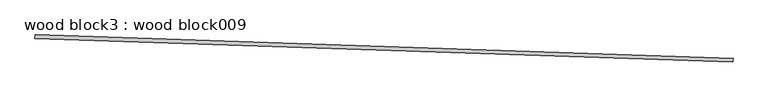
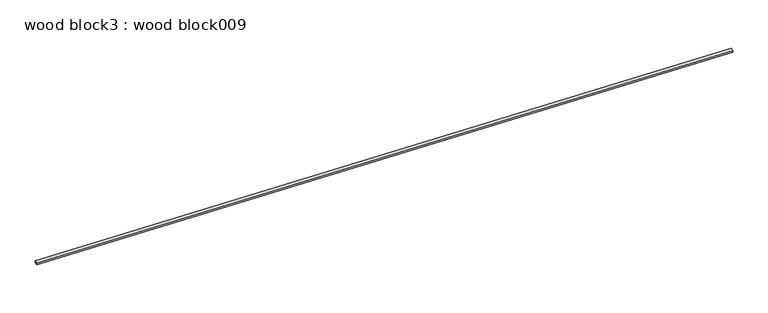
"""IFC4 building model written with IfcOpenShell, lengths in millimetres: proxy geometry, wood block3 : wood block009."""

from ifc_helpers import new_model, si_unit, frame, origin, place, context, project, spatial, polyline, outline, extrude, source, transform, mapped, element, save


def wood_block3_wood_block009_32fccf4d(model_context):
    return source(origin(), model_context, "Body", "SweptSolid", [
        extrude(outline(polyline([(0.0, 0.0), (3.1164863, -35.6216016), (-86.8991861, -43.4969524), (-90.7046763, 1e-07), (0.0, 0.0)])), frame((34359.0543254, -15339.5957526, 5796.0730964), z_axis=(-0.9994149479163339, 0.03420178184527258, 0.0), x_axis=(-0.034071633739528026, -0.9956118723072167, -0.08715574275535792)), (0.0, 0.0, 1.0), 17068.8),
    ])


if __name__ == "__main__":
    model = new_model("IFC4")
    model_context = context("Model", 3, world=origin())
    ifc_project = project(units=[si_unit("LENGTHUNIT", "METRE", prefix="MILLI")], contexts=[model_context])
    site = spatial("IfcSite", under=ifc_project)
    building = spatial("IfcBuilding", under=site)
    placement = place(None, origin())
    wood_block3_wood_block009_shape = wood_block3_wood_block009_32fccf4d(model_context)
    element("IfcBuildingElementProxy", 1, Name="wood block3 : wood block009", ObjectType="wood block3 : wood block009", at=placement, inside=building, context=model_context, shape_type="MappedRepresentation", body=[
        mapped(wood_block3_wood_block009_shape, transform((0.0, 0.0, 0.0), x_axis=(1.0, 0.0, 0.0), y_axis=(0.0, 1.0, 0.0), z_axis=(0.0, 0.0, 1.0))),
    ])
    save(model, "model.ifc")
